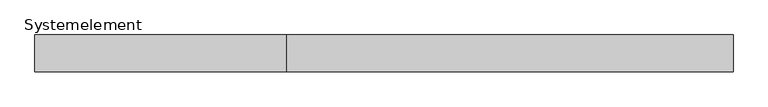
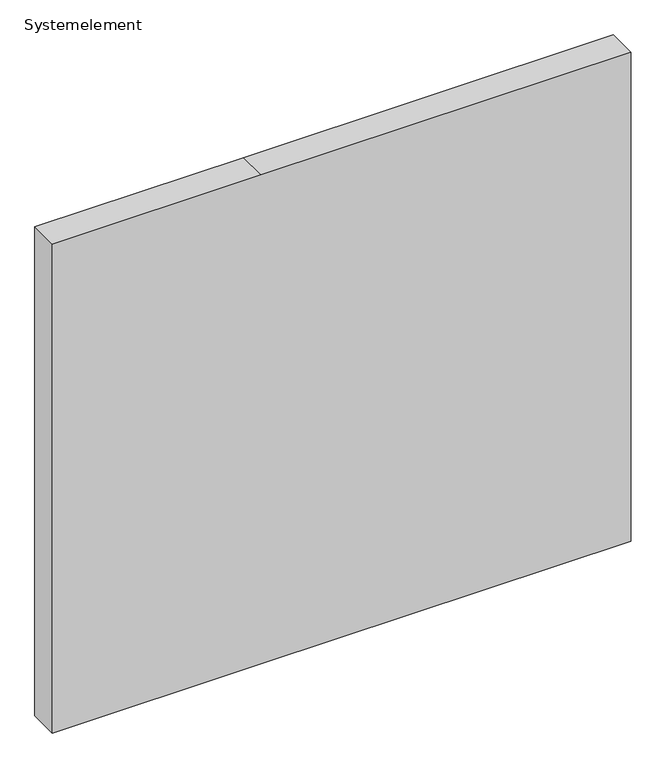
"""IFC4 building model written with IfcOpenShell, lengths in millimetres: plate geometry, Systemelement."""

from ifc_helpers import new_model, si_unit, frame, origin, place, context, project, spatial, polyline, outline, extrude, source, transform, mapped, element, save


def systemelement_64c9630a(model_context):
    return source(origin(), model_context, "Body", "SweptSolid", [
        extrude(outline(polyline([(0.0, -627.0), (0.0, -175.0), (0.0, 627.0), (1120.0, 627.0), (1120.0, -175.0), (1120.0, -627.0), (0.0, -627.0)])), frame((0.0, 0.0, 0.0), z_axis=(0.0, 1.0, 0.0), x_axis=(0.0, 0.0, 1.0)), (0.0, 0.0, 1.0), 66.0),
    ])


if __name__ == "__main__":
    model = new_model("IFC4")
    model_context = context("Model", 3, world=origin())
    ifc_project = project(units=[si_unit("LENGTHUNIT", "METRE", prefix="MILLI")], contexts=[model_context])
    site = spatial("IfcSite", under=ifc_project)
    building = spatial("IfcBuilding", under=site)
    placement = place(None, origin())
    systemelement_shape = systemelement_64c9630a(model_context)
    element("IfcPlate", 1, ObjectType="Systemelement", at=placement, inside=building, context=model_context, shape_type="MappedRepresentation", body=[
        mapped(systemelement_shape, transform((0.0, 0.0, 0.0), x_axis=(1.0, 0.0, 0.0), y_axis=(0.0, 1.0, 0.0), z_axis=(0.0, 0.0, 1.0))),
    ])
    save(model, "model.ifc")
